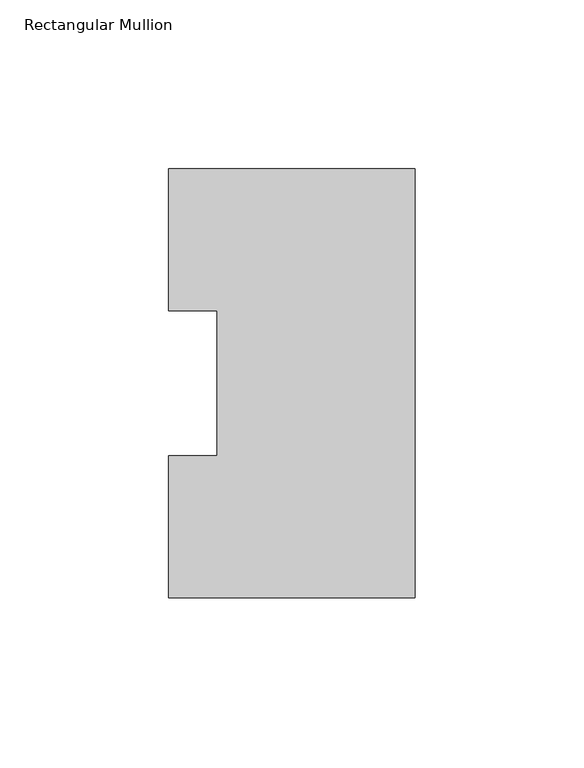
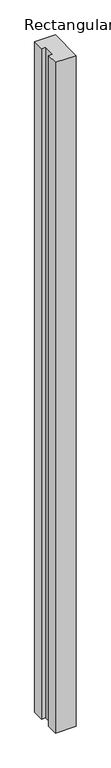
"""IFC4 building model written with IfcOpenShell, lengths in millimetres: member geometry, Rectangular Mullion."""

from ifc_helpers import new_model, si_unit, frame, origin, place, context, project, spatial, polyline, outline, extrude, source, transform, mapped, element, save


def rectangular_mullion_51977233(model_context):
    return source(origin(), model_context, "Body", "SweptSolid", [
        extrude(outline(polyline([(-73.025, 127.00635), (0.0, 127.00635), (0.0, 0.00635), (-73.025, 0.00635), (-73.025, 42.08145), (-58.7375, 42.08145), (-58.7375, 84.93125), (-73.025, 84.93125), (-73.025, 127.00635)])), frame((0.0, 0.0, -2501.9177772), z_axis=(0.0, 0.0, 1.0), x_axis=(1.0, 0.0, 0.0)), (0.0, 0.0, 1.0), 2501.9177772),
    ])


if __name__ == "__main__":
    model = new_model("IFC4")
    model_context = context("Model", 3, world=origin())
    ifc_project = project(units=[si_unit("LENGTHUNIT", "METRE", prefix="MILLI")], contexts=[model_context])
    site = spatial("IfcSite", under=ifc_project)
    building = spatial("IfcBuilding", under=site)
    placement = place(None, origin())
    rectangular_mullion_shape = rectangular_mullion_51977233(model_context)
    element("IfcMember", 1, ObjectType="Rectangular Mullion", at=placement, inside=building, context=model_context, shape_type="MappedRepresentation", body=[
        mapped(rectangular_mullion_shape, transform((0.0, 0.0, 0.0), x_axis=(1.0, 0.0, 0.0), y_axis=(0.0, 1.0, 0.0), z_axis=(0.0, 0.0, 1.0))),
    ])
    save(model, "model.ifc")
